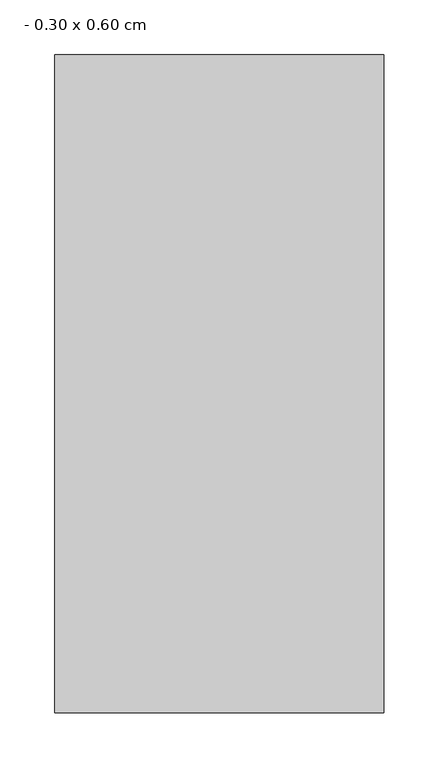
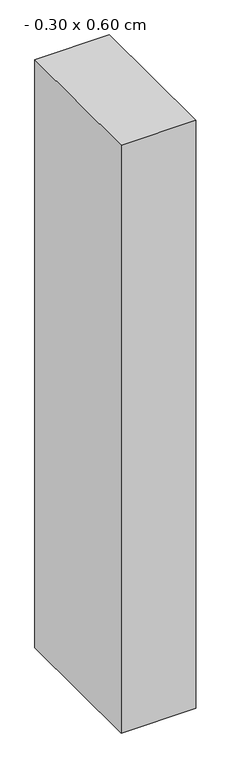
"""IFC4 building model written with IfcOpenShell, lengths in millimetres: column geometry, - 0.30 x 0.60 cm."""

from ifc_helpers import new_model, si_unit, origin, origin_with_axes, place, context, project, spatial, polyline, outline, extrude, source, transform, mapped, element, save


def column_0_30_x_0_60_cm_f4316716(model_context):
    return source(origin(), model_context, "Body", "SweptSolid", [
        extrude(outline(polyline([(150.0, 300.0), (150.0, -300.0), (-150.0, -300.0), (-150.0, 300.0), (150.0, 300.0)])), origin_with_axes(), (0.0, 0.0, 1.0), 2500.0),
    ])


if __name__ == "__main__":
    model = new_model("IFC4")
    model_context = context("Model", 3, world=origin())
    ifc_project = project(units=[si_unit("LENGTHUNIT", "METRE", prefix="MILLI")], contexts=[model_context])
    site = spatial("IfcSite", under=ifc_project)
    building = spatial("IfcBuilding", under=site)
    placement = place(None, origin())
    column_0_30_x_0_60_cm_shape = column_0_30_x_0_60_cm_f4316716(model_context)
    element("IfcColumn", 1, ObjectType="- 0.30 x 0.60 cm", at=placement, inside=building, context=model_context, shape_type="MappedRepresentation", body=[
        mapped(column_0_30_x_0_60_cm_shape, transform((0.0, 0.0, 0.0), x_axis=(1.0, 0.0, 0.0), y_axis=(0.0, 1.0, 0.0), z_axis=(0.0, 0.0, 1.0))),
    ])
    save(model, "model.ifc")
